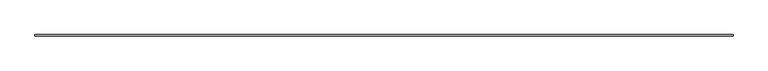
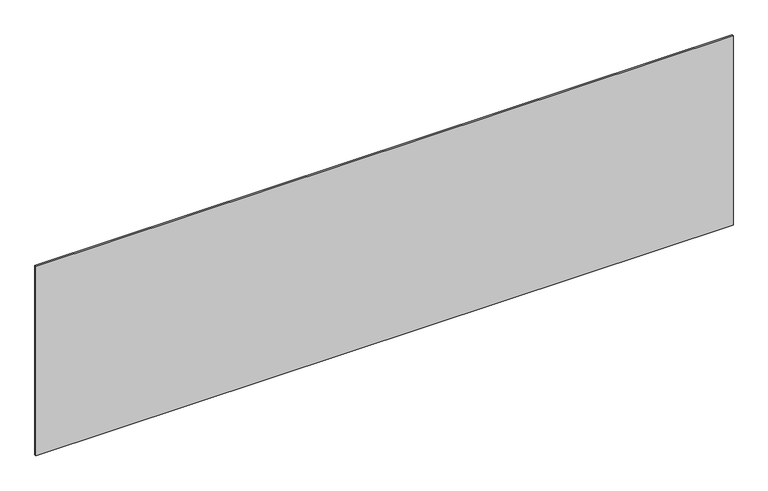
"""IFC4 building model written with IfcOpenShell, lengths in millimetres: plate geometry."""

from ifc_helpers import new_model, si_unit, origin, origin_with_axes, place, context, project, spatial, polyline, outline, extrude, source, transform, mapped, element, save


def plate_371e701f(model_context):
    return source(origin(), model_context, "Body", "SweptSolid", [
        extrude(outline(polyline([(2281.6666667, -5.0), (-2281.6666667, -5.0), (-2281.6666667, 5.0), (2281.6666667, 5.0), (2281.6666667, -5.0)])), origin_with_axes(), (0.0, 0.0, 1.0), 1312.0052046),
    ])


if __name__ == "__main__":
    model = new_model("IFC4")
    model_context = context("Model", 3, world=origin())
    ifc_project = project(units=[si_unit("LENGTHUNIT", "METRE", prefix="MILLI")], contexts=[model_context])
    site = spatial("IfcSite", under=ifc_project)
    building = spatial("IfcBuilding", under=site)
    placement = place(None, origin())
    plate_shape = plate_371e701f(model_context)
    element("IfcPlate", 1, at=placement, inside=building, context=model_context, shape_type="MappedRepresentation", body=[
        mapped(plate_shape, transform((0.0, 0.0, 0.0), x_axis=(1.0, 0.0, 0.0), y_axis=(0.0, 1.0, 0.0), z_axis=(0.0, 0.0, 1.0))),
    ])
    save(model, "model.ifc")
